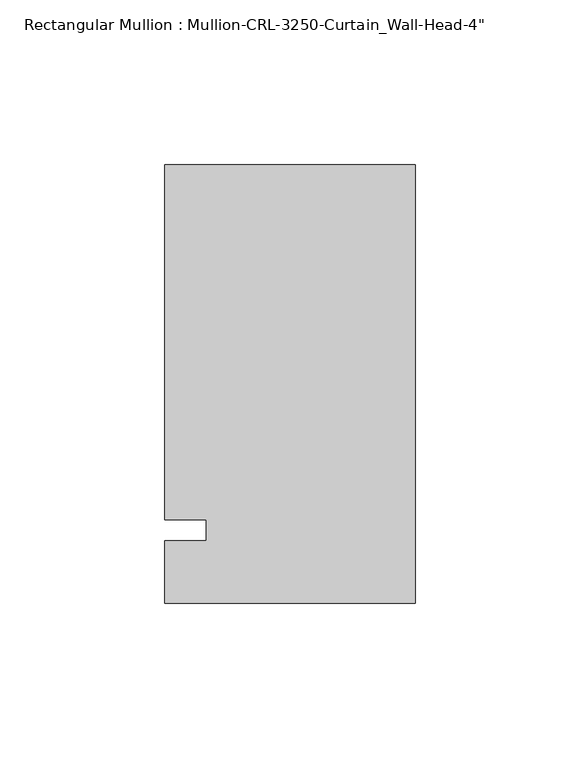
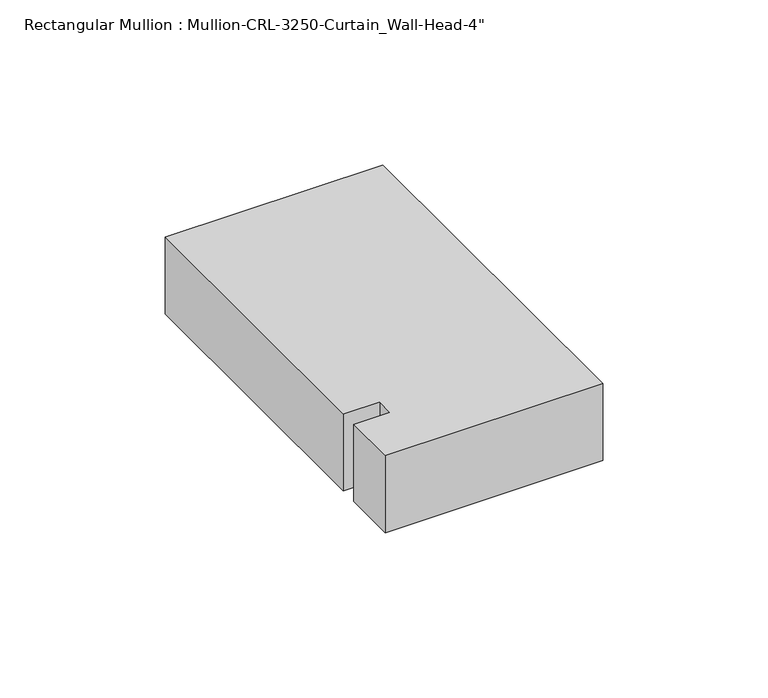
"""IFC4 building model written with IfcOpenShell, lengths in millimetres: member geometry."""

import ifcopenshell
import ifcopenshell.guid

model = None  # the IFC model being written
_history = None  # IfcOwnerHistory: only IFC2X3 demands one
_inside = {}  # id of a spatial element -> (the spatial element, [elements in it])
_under = {}  # id of a project, library or spatial element -> (it, [spatial elements below it])
_declared = {}  # id of a project -> (the project, [libraries it declares])
_typed = {}  # id of a type object -> (the type object, [elements of that type])
_made_of = {}  # id of a material, layer set ... -> (it, [elements and type objects made of it])


def new_model(schema):
    """Start an empty IFC model of exactly this schema.

    Asked for "IFC4X3", IfcOpenShell would pick the latest addendum, in which some entities
    have other attributes; the version numbers below select the first issue.
    IFC2X3 requires an IfcOwnerHistory on every rooted entity: one is made here for all.
    """
    global model, _history
    if schema == "IFC4X3":
        model = ifcopenshell.file(schema_version=(4, 3, 0, 0))
    else:
        model = ifcopenshell.file(schema=schema)
    _inside.clear()
    _under.clear()
    _declared.clear()
    _typed.clear()
    _made_of.clear()
    _history = None
    if model.schema == "IFC2X3":
        org = make("IfcOrganization", Name="unknown")
        user = make(
            "IfcPersonAndOrganization",
            ThePerson=make("IfcPerson", FamilyName="unknown"),
            TheOrganization=org,
        )
        app = make(
            "IfcApplication",
            ApplicationDeveloper=org,
            Version="unknown",
            ApplicationFullName="unknown",
            ApplicationIdentifier="unknown",
        )
        _history = make(
            "IfcOwnerHistory",
            OwningUser=user,
            OwningApplication=app,
            ChangeAction="ADDED",
            CreationDate=0,
        )
    return model


def make(cls, **values):
    """One entity of the class cls with the attributes given. An attribute that is None is left unset."""
    return model.create_entity(
        cls, **{name: value for name, value in values.items() if value is not None}
    )


def rooted(cls, **values):
    """An entity with a GlobalId (a new one), such as an element, a storey or a relation."""
    return make(cls, GlobalId=ifcopenshell.guid.new(), OwnerHistory=_history, **values)


def si_unit(unit_type, name, prefix=None):
    """IfcSIUnit, for example si_unit("LENGTHUNIT", "METRE", prefix="MILLI")."""
    return make("IfcSIUnit", UnitType=unit_type, Prefix=prefix, Name=name)


def assignment(units):
    """IfcUnitAssignment: the units of a project."""
    return None if units is None else make("IfcUnitAssignment", Units=units)


def point(xyz):
    """IfcCartesianPoint."""
    return None if xyz is None else make("IfcCartesianPoint", Coordinates=xyz)


def direction(xyz):
    """IfcDirection."""
    return None if xyz is None else make("IfcDirection", DirectionRatios=xyz)


def frame(location, z_axis=None, x_axis=None):
    """IfcAxis2Placement3D, a coordinate frame: its origin and axes. An axis left out is left unset."""
    return make(
        "IfcAxis2Placement3D",
        Location=point(location),
        Axis=direction(z_axis),
        RefDirection=direction(x_axis),
    )


def origin():
    """The frame at (0, 0, 0) with its axes left unset."""
    return frame((0.0, 0.0, 0.0))


def place(relative_to, where):
    """IfcLocalPlacement: puts the frame where relative to a parent placement (None: the world)."""
    return make(
        "IfcLocalPlacement", PlacementRelTo=relative_to, RelativePlacement=where
    )


def context(
    kind, dimensions, precision=None, world=None, true_north=None, identifier=None
):
    """IfcGeometricRepresentationContext, for example the 3D "Model" context."""
    return make(
        "IfcGeometricRepresentationContext",
        ContextIdentifier=identifier,
        ContextType=kind,
        CoordinateSpaceDimension=dimensions,
        Precision=precision,
        WorldCoordinateSystem=world,
        TrueNorth=true_north,
    )


def project(units=None, contexts=None):
    """IfcProject with its units and contexts."""
    return rooted(
        "IfcProject",
        Name="project",
        RepresentationContexts=contexts,
        UnitsInContext=assignment(units),
    )


def spatial(cls, under=None, at=None, **own):
    """A site, building, storey or space (cls), placed at a placement, below another one or the project."""
    s = rooted(cls, ObjectPlacement=at, **own)
    if under is not None:
        _under.setdefault(under.id(), (under, []))[1].append(s)
    return s


def polyline(points):
    """IfcPolyline through the points."""
    return make("IfcPolyline", Points=[point(p) for p in points])


def outline(outer, holes=None, kind="AREA"):
    """IfcArbitraryClosedProfileDef: a profile drawn as a closed curve; with holes, ...WithVoids."""
    if holes is None:
        return make("IfcArbitraryClosedProfileDef", ProfileType=kind, OuterCurve=outer)
    return make(
        "IfcArbitraryProfileDefWithVoids",
        ProfileType=kind,
        OuterCurve=outer,
        InnerCurves=holes,
    )


def extrude(swept, where, along, depth):
    """IfcExtrudedAreaSolid: the profile swept, set in the frame where, extruded along a direction by depth."""
    return make(
        "IfcExtrudedAreaSolid",
        SweptArea=swept,
        Position=where,
        ExtrudedDirection=direction(along),
        Depth=depth,
    )


def shape(context_of_items, identifier, shape_type, items):
    """IfcShapeRepresentation: the items that make up one representation, for example the "Body"."""
    return make(
        "IfcShapeRepresentation",
        ContextOfItems=context_of_items,
        RepresentationIdentifier=identifier,
        RepresentationType=shape_type,
        Items=items,
    )


def source(mapping_origin, context_of_items, identifier, shape_type, items):
    """IfcRepresentationMap: a shape defined once, which mapped items show again and again."""
    return make(
        "IfcRepresentationMap",
        MappingOrigin=mapping_origin,
        MappedRepresentation=shape(context_of_items, identifier, shape_type, items),
    )


def transform(
    local_origin,
    x_axis=None,
    y_axis=None,
    z_axis=None,
    scale=None,
    scale2=None,
    scale3=None,
    uniform=True,
):
    """IfcCartesianTransformationOperator3D, or its non-uniform kind. x_axis, y_axis, z_axis: its Axis1, 2, 3."""
    if uniform:
        return make(
            "IfcCartesianTransformationOperator3D",
            Axis1=direction(x_axis),
            Axis2=direction(y_axis),
            LocalOrigin=point(local_origin),
            Scale=scale,
            Axis3=direction(z_axis),
        )
    return make(
        "IfcCartesianTransformationOperator3DnonUniform",
        Axis1=direction(x_axis),
        Axis2=direction(y_axis),
        LocalOrigin=point(local_origin),
        Scale=scale,
        Axis3=direction(z_axis),
        Scale2=scale2,
        Scale3=scale3,
    )


def mapped(mapping_source, mapping_target):
    """IfcMappedItem: shows the shape of a source again, moved by a transform."""
    return make(
        "IfcMappedItem", MappingSource=mapping_source, MappingTarget=mapping_target
    )


def made_of(thing, what):
    """Note that an element or type object is made of a material, layer set ...; save() writes the relation."""
    if what is not None:
        _made_of.setdefault(what.id(), (what, []))[1].append(thing)
    return thing


def element(
    cls,
    number,
    at=None,
    inside=None,
    cuts=None,
    type_object=None,
    material=None,
    context=None,
    identifier="Body",
    shape_type=None,
    held_by="IfcProductDefinitionShape",
    body=None,
    shapes=None,
    **own,
):
    """One element of the class cls, such as IfcWall. Its Tag is "e" and its number.

    at: its placement. inside: the storey or other place that contains it. cuts: it is an
    opening in that element (IfcRelVoidsElement). A single representation is given by context,
    identifier, shape_type and body (its items); several are given by shapes. held_by: the class
    of the entity that holds the representations. save() writes the other relations.
    """
    e = rooted(cls, Tag="e%d" % number, ObjectPlacement=at, **own)
    if body is not None:
        shapes = [shape(context, identifier, shape_type, body)]
    if shapes is not None:
        e.Representation = make(held_by, Representations=shapes)
    if inside is not None:
        _inside.setdefault(inside.id(), (inside, []))[1].append(e)
    if cuts is not None:
        rooted(
            "IfcRelVoidsElement", RelatingBuildingElement=cuts, RelatedOpeningElement=e
        )
    if type_object is not None:
        _typed.setdefault(type_object.id(), (type_object, []))[1].append(e)
    return made_of(e, material)


def aggregate(whole, parts):
    """IfcRelAggregates: a whole, such as a stair, and the parts it consists of."""
    return rooted("IfcRelAggregates", RelatingObject=whole, RelatedObjects=parts)


def save(model, path):
    """Write the relations noted so far, then the file.

    IfcRelAggregates (storeys below a building ...), IfcRelContainedInSpatialStructure (elements
    in a storey), IfcRelDefinesByType, IfcRelAssociatesMaterial and IfcRelDeclares: one each for
    every whole, place, type object, material and project.
    """
    for whole, parts in _under.values():
        aggregate(whole, parts)
    for where, things in _inside.values():
        rooted(
            "IfcRelContainedInSpatialStructure",
            RelatedElements=things,
            RelatingStructure=where,
        )
    for kind, things in _typed.values():
        rooted("IfcRelDefinesByType", RelatedObjects=things, RelatingType=kind)
    for what, things in _made_of.values():
        rooted("IfcRelAssociatesMaterial", RelatedObjects=things, RelatingMaterial=what)
    for by, libraries in _declared.values():
        rooted("IfcRelDeclares", RelatingContext=by, RelatedDefinitions=libraries)
    model.write(path)


def member_7b1158f7(model_context):
    return source(origin(), model_context, "Body", "SweptSolid", [
        extrude(outline(polyline([(0.0, -22.2254168), (-76.199997, -22.2254168), (-76.199997, -3.175), (-63.499997, -3.175), (-63.499997, 3.175), (-76.199997, 3.175), (-76.199997, 111.1245832), (0.0, 111.1245832), (0.0, -22.2254168)])), frame((0.0, 0.0, -28.576861), z_axis=(0.0, 0.0, 1.0), x_axis=(1.0, 0.0, 0.0)), (0.0, 0.0, 1.0), 28.576861),
    ])


if __name__ == "__main__":
    model = new_model("IFC4")
    model_context = context("Model", 3, world=origin())
    ifc_project = project(units=[si_unit("LENGTHUNIT", "METRE", prefix="MILLI")], contexts=[model_context])
    site = spatial("IfcSite", under=ifc_project)
    building = spatial("IfcBuilding", under=site)
    placement = place(None, origin())
    member_shape = member_7b1158f7(model_context)
    element("IfcMember", 1, ObjectType="Rectangular Mullion : Mullion-CRL-3250-Curtain_Wall-Head-4\"", at=placement, inside=building, context=model_context, shape_type="MappedRepresentation", body=[
        mapped(member_shape, transform((0.0, 0.0, 0.0), x_axis=(1.0, 0.0, 0.0), y_axis=(0.0, 1.0, 0.0), z_axis=(0.0, 0.0, 1.0))),
    ])
    save(model, "model.ifc")
